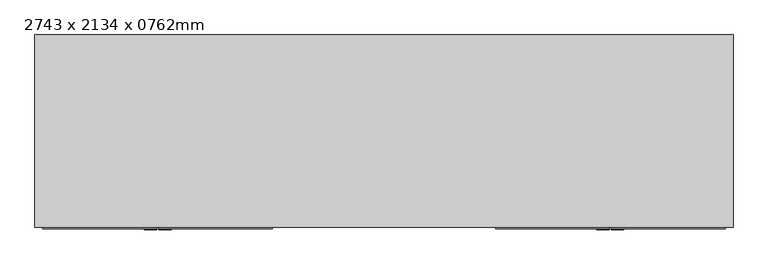
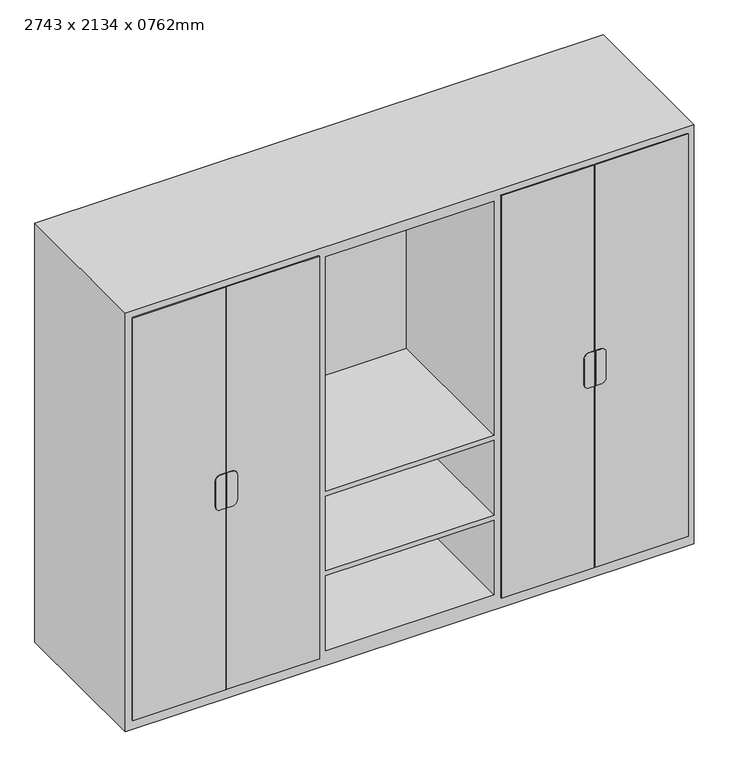
"""IFC4 building model written with IfcOpenShell, lengths in millimetres: furniture geometry, 2743 x 2134 x 0762mm."""

import ifcopenshell
import ifcopenshell.guid

model = None  # the IFC model being written
_history = None  # IfcOwnerHistory: only IFC2X3 demands one
_inside = {}  # id of a spatial element -> (the spatial element, [elements in it])
_under = {}  # id of a project, library or spatial element -> (it, [spatial elements below it])
_declared = {}  # id of a project -> (the project, [libraries it declares])
_typed = {}  # id of a type object -> (the type object, [elements of that type])
_made_of = {}  # id of a material, layer set ... -> (it, [elements and type objects made of it])


def new_model(schema):
    """Start an empty IFC model of exactly this schema.

    Asked for "IFC4X3", IfcOpenShell would pick the latest addendum, in which some entities
    have other attributes; the version numbers below select the first issue.
    IFC2X3 requires an IfcOwnerHistory on every rooted entity: one is made here for all.
    """
    global model, _history
    if schema == "IFC4X3":
        model = ifcopenshell.file(schema_version=(4, 3, 0, 0))
    else:
        model = ifcopenshell.file(schema=schema)
    _inside.clear()
    _under.clear()
    _declared.clear()
    _typed.clear()
    _made_of.clear()
    _history = None
    if model.schema == "IFC2X3":
        org = make("IfcOrganization", Name="unknown")
        user = make(
            "IfcPersonAndOrganization",
            ThePerson=make("IfcPerson", FamilyName="unknown"),
            TheOrganization=org,
        )
        app = make(
            "IfcApplication",
            ApplicationDeveloper=org,
            Version="unknown",
            ApplicationFullName="unknown",
            ApplicationIdentifier="unknown",
        )
        _history = make(
            "IfcOwnerHistory",
            OwningUser=user,
            OwningApplication=app,
            ChangeAction="ADDED",
            CreationDate=0,
        )
    return model


def make(cls, **values):
    """One entity of the class cls with the attributes given. An attribute that is None is left unset."""
    return model.create_entity(
        cls, **{name: value for name, value in values.items() if value is not None}
    )


def rooted(cls, **values):
    """An entity with a GlobalId (a new one), such as an element, a storey or a relation."""
    return make(cls, GlobalId=ifcopenshell.guid.new(), OwnerHistory=_history, **values)


def si_unit(unit_type, name, prefix=None):
    """IfcSIUnit, for example si_unit("LENGTHUNIT", "METRE", prefix="MILLI")."""
    return make("IfcSIUnit", UnitType=unit_type, Prefix=prefix, Name=name)


def assignment(units):
    """IfcUnitAssignment: the units of a project."""
    return None if units is None else make("IfcUnitAssignment", Units=units)


def point(xyz):
    """IfcCartesianPoint."""
    return None if xyz is None else make("IfcCartesianPoint", Coordinates=xyz)


def direction(xyz):
    """IfcDirection."""
    return None if xyz is None else make("IfcDirection", DirectionRatios=xyz)


def frame(location, z_axis=None, x_axis=None):
    """IfcAxis2Placement3D, a coordinate frame: its origin and axes. An axis left out is left unset."""
    return make(
        "IfcAxis2Placement3D",
        Location=point(location),
        Axis=direction(z_axis),
        RefDirection=direction(x_axis),
    )


def frame_2d(location, x_axis=None):
    """IfcAxis2Placement2D, a coordinate frame in the plane: its origin and x axis."""
    return make(
        "IfcAxis2Placement2D", Location=point(location), RefDirection=direction(x_axis)
    )


def origin():
    """The frame at (0, 0, 0) with its axes left unset."""
    return frame((0.0, 0.0, 0.0))


def place(relative_to, where):
    """IfcLocalPlacement: puts the frame where relative to a parent placement (None: the world)."""
    return make(
        "IfcLocalPlacement", PlacementRelTo=relative_to, RelativePlacement=where
    )


def context(
    kind, dimensions, precision=None, world=None, true_north=None, identifier=None
):
    """IfcGeometricRepresentationContext, for example the 3D "Model" context."""
    return make(
        "IfcGeometricRepresentationContext",
        ContextIdentifier=identifier,
        ContextType=kind,
        CoordinateSpaceDimension=dimensions,
        Precision=precision,
        WorldCoordinateSystem=world,
        TrueNorth=true_north,
    )


def project(units=None, contexts=None):
    """IfcProject with its units and contexts."""
    return rooted(
        "IfcProject",
        Name="project",
        RepresentationContexts=contexts,
        UnitsInContext=assignment(units),
    )


def spatial(cls, under=None, at=None, **own):
    """A site, building, storey or space (cls), placed at a placement, below another one or the project."""
    s = rooted(cls, ObjectPlacement=at, **own)
    if under is not None:
        _under.setdefault(under.id(), (under, []))[1].append(s)
    return s


def polyline(points):
    """IfcPolyline through the points."""
    return make("IfcPolyline", Points=[point(p) for p in points])


def circle_curve(where, radius):
    """IfcCircle in the frame where."""
    return make("IfcCircle", Position=where, Radius=radius)


def trimmed(basis, trim1, trim2, sense, master):
    """IfcTrimmedCurve: the piece of a basis curve between two trims."""
    return make(
        "IfcTrimmedCurve",
        BasisCurve=basis,
        Trim1=trim1,
        Trim2=trim2,
        SenseAgreement=sense,
        MasterRepresentation=master,
    )


def segment(curve, same_sense, transition):
    """IfcCompositeCurveSegment."""
    return make(
        "IfcCompositeCurveSegment",
        Transition=transition,
        SameSense=same_sense,
        ParentCurve=curve,
    )


def composite_curve(segments, self_intersect=None):
    """IfcCompositeCurve: segments joined end to end."""
    return make("IfcCompositeCurve", Segments=segments, SelfIntersect=self_intersect)


def outline(outer, holes=None, kind="AREA"):
    """IfcArbitraryClosedProfileDef: a profile drawn as a closed curve; with holes, ...WithVoids."""
    if holes is None:
        return make("IfcArbitraryClosedProfileDef", ProfileType=kind, OuterCurve=outer)
    return make(
        "IfcArbitraryProfileDefWithVoids",
        ProfileType=kind,
        OuterCurve=outer,
        InnerCurves=holes,
    )


def extrude(swept, where, along, depth):
    """IfcExtrudedAreaSolid: the profile swept, set in the frame where, extruded along a direction by depth."""
    return make(
        "IfcExtrudedAreaSolid",
        SweptArea=swept,
        Position=where,
        ExtrudedDirection=direction(along),
        Depth=depth,
    )


def faces_of(points, faces, orient=None, outer=None):
    """IfcFace entities. A face is a list of loops; a loop is a list of indices into points, from 0.

    orient and outer hold one flag for each loop. By default every Orientation is true, the
    first loop of a face is its IfcFaceOuterBound and the others are IfcFaceBound.
    """
    made = []
    for i, loops in enumerate(faces):
        bounds = []
        for j, loop in enumerate(loops):
            is_outer = j == 0 if outer is None else outer[i][j]
            bounds.append(
                make(
                    "IfcFaceOuterBound" if is_outer else "IfcFaceBound",
                    Bound=make("IfcPolyLoop", Polygon=[points[k] for k in loop]),
                    Orientation=True if orient is None else orient[i][j],
                )
            )
        made.append(make("IfcFace", Bounds=bounds))
    return made


def faceted_brep(points, faces, orient=None, outer=None, voids=None):
    """IfcFacetedBrep: a solid bounded by flat faces; with voids (closed shells), ...WithVoids."""
    shared = [point(p) for p in points]
    hull = make("IfcClosedShell", CfsFaces=faces_of(shared, faces, orient, outer))
    if voids is None:
        return make("IfcFacetedBrep", Outer=hull)
    return make(
        "IfcFacetedBrepWithVoids",
        Outer=hull,
        Voids=[
            make(cls, CfsFaces=faces_of(shared, fs, o, b)) for cls, fs, o, b in voids
        ],
    )


def shape(context_of_items, identifier, shape_type, items):
    """IfcShapeRepresentation: the items that make up one representation, for example the "Body"."""
    return make(
        "IfcShapeRepresentation",
        ContextOfItems=context_of_items,
        RepresentationIdentifier=identifier,
        RepresentationType=shape_type,
        Items=items,
    )


def source(mapping_origin, context_of_items, identifier, shape_type, items):
    """IfcRepresentationMap: a shape defined once, which mapped items show again and again."""
    return make(
        "IfcRepresentationMap",
        MappingOrigin=mapping_origin,
        MappedRepresentation=shape(context_of_items, identifier, shape_type, items),
    )


def transform(
    local_origin,
    x_axis=None,
    y_axis=None,
    z_axis=None,
    scale=None,
    scale2=None,
    scale3=None,
    uniform=True,
):
    """IfcCartesianTransformationOperator3D, or its non-uniform kind. x_axis, y_axis, z_axis: its Axis1, 2, 3."""
    if uniform:
        return make(
            "IfcCartesianTransformationOperator3D",
            Axis1=direction(x_axis),
            Axis2=direction(y_axis),
            LocalOrigin=point(local_origin),
            Scale=scale,
            Axis3=direction(z_axis),
        )
    return make(
        "IfcCartesianTransformationOperator3DnonUniform",
        Axis1=direction(x_axis),
        Axis2=direction(y_axis),
        LocalOrigin=point(local_origin),
        Scale=scale,
        Axis3=direction(z_axis),
        Scale2=scale2,
        Scale3=scale3,
    )


def mapped(mapping_source, mapping_target):
    """IfcMappedItem: shows the shape of a source again, moved by a transform."""
    return make(
        "IfcMappedItem", MappingSource=mapping_source, MappingTarget=mapping_target
    )


def made_of(thing, what):
    """Note that an element or type object is made of a material, layer set ...; save() writes the relation."""
    if what is not None:
        _made_of.setdefault(what.id(), (what, []))[1].append(thing)
    return thing


def element(
    cls,
    number,
    at=None,
    inside=None,
    cuts=None,
    type_object=None,
    material=None,
    context=None,
    identifier="Body",
    shape_type=None,
    held_by="IfcProductDefinitionShape",
    body=None,
    shapes=None,
    **own,
):
    """One element of the class cls, such as IfcWall. Its Tag is "e" and its number.

    at: its placement. inside: the storey or other place that contains it. cuts: it is an
    opening in that element (IfcRelVoidsElement). A single representation is given by context,
    identifier, shape_type and body (its items); several are given by shapes. held_by: the class
    of the entity that holds the representations. save() writes the other relations.
    """
    e = rooted(cls, Tag="e%d" % number, ObjectPlacement=at, **own)
    if body is not None:
        shapes = [shape(context, identifier, shape_type, body)]
    if shapes is not None:
        e.Representation = make(held_by, Representations=shapes)
    if inside is not None:
        _inside.setdefault(inside.id(), (inside, []))[1].append(e)
    if cuts is not None:
        rooted(
            "IfcRelVoidsElement", RelatingBuildingElement=cuts, RelatedOpeningElement=e
        )
    if type_object is not None:
        _typed.setdefault(type_object.id(), (type_object, []))[1].append(e)
    return made_of(e, material)


def aggregate(whole, parts):
    """IfcRelAggregates: a whole, such as a stair, and the parts it consists of."""
    return rooted("IfcRelAggregates", RelatingObject=whole, RelatedObjects=parts)


def save(model, path):
    """Write the relations noted so far, then the file.

    IfcRelAggregates (storeys below a building ...), IfcRelContainedInSpatialStructure (elements
    in a storey), IfcRelDefinesByType, IfcRelAssociatesMaterial and IfcRelDeclares: one each for
    every whole, place, type object, material and project.
    """
    for whole, parts in _under.values():
        aggregate(whole, parts)
    for where, things in _inside.values():
        rooted(
            "IfcRelContainedInSpatialStructure",
            RelatedElements=things,
            RelatingStructure=where,
        )
    for kind, things in _typed.values():
        rooted("IfcRelDefinesByType", RelatedObjects=things, RelatingType=kind)
    for what, things in _made_of.values():
        rooted("IfcRelAssociatesMaterial", RelatedObjects=things, RelatingMaterial=what)
    for by, libraries in _declared.values():
        rooted("IfcRelDeclares", RelatingContext=by, RelatedDefinitions=libraries)
    model.write(path)


def furniture_2743_x_2134_x_0762mm_bec01534(model_context):
    return source(origin(), model_context, "Body", "SolidModel", [
        faceted_brep([(1371.5, -781.05, 0.0), (1371.5, -781.05, 2134.0), (-1371.5, -781.05, 2134.0), (-1371.5, -781.05, 0.0), (-457.3, -781.05, 2083.2), (-457.3, -781.05, 1613.2), (-1320.7, -781.05, 1613.2), (-1320.7, -781.05, 2083.2), (-457.3, -781.05, 76.2), (-1320.7, -781.05, 76.2), (-1320.7, -781.05, 520.8), (-457.3, -781.05, 520.8), (1320.7, -781.05, 1613.2), (457.3, -781.05, 1613.2), (457.3, -781.05, 2083.2), (1320.7, -781.05, 2083.2), (-406.5, -781.05, 889.2), (-406.5, -781.05, 2083.2), (406.5, -781.05, 2083.2), (406.5, -781.05, 889.2), (406.5, -781.05, 76.2), (-406.5, -781.05, 76.2), (-406.5, -781.05, 457.3), (406.5, -781.05, 457.3), (1320.7, -781.05, 76.2), (457.3, -781.05, 76.2), (457.3, -781.05, 520.8), (1320.7, -781.05, 520.8), (-1320.7, -781.05, 546.2), (-1320.7, -781.05, 1054.3), (-457.3, -781.05, 1054.3), (-457.3, -781.05, 546.2), (-457.3, -781.05, 1587.8), (-457.3, -781.05, 1079.7), (-1320.7, -781.05, 1079.7), (-1320.7, -781.05, 1587.8), (457.3, -781.05, 1587.8), (1320.7, -781.05, 1587.8), (1320.7, -781.05, 1079.7), (457.3, -781.05, 1079.7), (457.3, -781.05, 1054.3), (1320.7, -781.05, 1054.3), (1320.7, -781.05, 546.2), (457.3, -781.05, 546.2), (406.5, -781.05, 482.7), (-406.5, -781.05, 482.7), (-406.5, -781.05, 863.8), (406.5, -781.05, 863.8), (1371.5, -25.4, 0.0), (-1371.5, -25.4, 0.0), (-1371.5, -25.4, 2134.0), (1371.5, -25.4, 2134.0), (-457.3, -50.8, 2083.2), (-457.3, -50.8, 1613.2), (-1320.7, -50.8, 1613.2), (-1320.7, -50.8, 2083.2), (-457.3, -50.8, 76.2), (-1320.7, -50.8, 76.2), (-1320.7, -50.8, 520.8), (-457.3, -50.8, 520.8), (1320.7, -50.8, 1613.2), (457.3, -50.8, 1613.2), (457.3, -50.8, 2083.2), (1320.7, -50.8, 2083.2), (-406.5, -50.8, 889.2), (-406.5, -50.8, 2083.2), (406.5, -50.8, 2083.2), (406.5, -50.8, 889.2), (406.5, -50.8, 76.2), (-406.5, -50.8, 76.2), (-406.5, -50.8, 457.3), (406.5, -50.8, 457.3), (1320.7, -50.8, 76.2), (457.3, -50.8, 76.2), (457.3, -50.8, 520.8), (1320.7, -50.8, 520.8), (-1320.7, -50.8, 546.2), (-1320.7, -50.8, 1054.3), (-457.3, -50.8, 1054.3), (-457.3, -50.8, 546.2), (-457.3, -50.8, 1587.8), (-457.3, -50.8, 1079.7), (-1320.7, -50.8, 1079.7), (-1320.7, -50.8, 1587.8), (457.3, -50.8, 1587.8), (1320.7, -50.8, 1587.8), (1320.7, -50.8, 1079.7), (457.3, -50.8, 1079.7), (457.3, -50.8, 1054.3), (1320.7, -50.8, 1054.3), (1320.7, -50.8, 546.2), (457.3, -50.8, 546.2), (406.5, -50.8, 482.7), (-406.5, -50.8, 482.7), (-406.5, -50.8, 863.8), (406.5, -50.8, 863.8)], [[[0, 1, 2, 3], [4, 5, 6, 7], [8, 9, 10, 11], [12, 13, 14, 15], [16, 17, 18, 19], [20, 21, 22, 23], [24, 25, 26, 27], [28, 29, 30, 31], [32, 33, 34, 35], [36, 37, 38, 39], [40, 41, 42, 43], [44, 45, 46, 47]], [[48, 49, 50, 51]], [[1, 0, 48, 51]], [[2, 1, 51, 50]], [[3, 2, 50, 49]], [[0, 3, 49, 48]], [[5, 4, 52, 53]], [[6, 5, 53, 54]], [[7, 6, 54, 55]], [[4, 7, 55, 52]], [[9, 8, 56, 57]], [[10, 9, 57, 58]], [[11, 10, 58, 59]], [[8, 11, 59, 56]], [[13, 12, 60, 61]], [[14, 13, 61, 62]], [[15, 14, 62, 63]], [[12, 15, 63, 60]], [[17, 16, 64, 65]], [[18, 17, 65, 66]], [[19, 18, 66, 67]], [[16, 19, 67, 64]], [[21, 20, 68, 69]], [[22, 21, 69, 70]], [[23, 22, 70, 71]], [[20, 23, 71, 68]], [[25, 24, 72, 73]], [[26, 25, 73, 74]], [[27, 26, 74, 75]], [[24, 27, 75, 72]], [[29, 28, 76, 77]], [[30, 29, 77, 78]], [[31, 30, 78, 79]], [[28, 31, 79, 76]], [[33, 32, 80, 81]], [[34, 33, 81, 82]], [[35, 34, 82, 83]], [[32, 35, 83, 80]], [[37, 36, 84, 85]], [[38, 37, 85, 86]], [[39, 38, 86, 87]], [[36, 39, 87, 84]], [[41, 40, 88, 89]], [[42, 41, 89, 90]], [[43, 42, 90, 91]], [[40, 43, 91, 88]], [[45, 44, 92, 93]], [[46, 45, 93, 94]], [[47, 46, 94, 95]], [[44, 47, 95, 92]], [[53, 52, 55, 54]], [[57, 56, 59, 58]], [[61, 60, 63, 62]], [[65, 64, 67, 66]], [[69, 68, 71, 70]], [[73, 72, 75, 74]], [[77, 76, 79, 78]], [[81, 80, 83, 82]], [[85, 84, 87, 86]], [[89, 88, 91, 90]], [[93, 92, 95, 94]]]),
        extrude(outline(composite_curve([segment(polyline([(1155.9, -861.5986452), (1155.9, -885.825), (978.1, -885.825), (978.1, -861.5986452)]), True, "CONTINUOUS"), segment(trimmed(circle_curve(frame_2d((1003.5, -861.5986452)), 25.4), [point((978.1, -861.5986452))], [point((1003.5, -836.1986452))], False, "CARTESIAN"), True, "CONTINUOUS"), segment(polyline([(1003.5, -836.1986452), (1130.5, -836.1986452)]), True, "CONTINUOUS"), segment(trimmed(circle_curve(frame_2d((1130.5, -861.5986452)), 25.4), [point((1130.5, -836.1986452))], [point((1155.9, -861.5986452))], False, "CARTESIAN"), True, "CONTINUOUS")], self_intersect=False)), frame((0.0, -790.575, 0.0), z_axis=(0.0, 1.0, 0.0), x_axis=(0.0, 0.0, 1.0)), (0.0, 0.0, 1.0), 3.175),
        extrude(outline(composite_curve([segment(trimmed(circle_curve(frame_2d((1130.5, -916.78125)), 25.4), [point((1155.9, -916.78125))], [point((1130.5, -942.18125))], False, "CARTESIAN"), True, "CONTINUOUS"), segment(polyline([(1130.5, -942.18125), (1003.5, -942.18125)]), True, "CONTINUOUS"), segment(trimmed(circle_curve(frame_2d((1003.5, -916.78125)), 25.4), [point((1003.5, -942.18125))], [point((978.1, -916.78125))], False, "CARTESIAN"), True, "CONTINUOUS"), segment(polyline([(978.1, -916.78125), (978.1, -892.175), (1155.9, -892.175), (1155.9, -916.78125)]), True, "CONTINUOUS")], self_intersect=False)), frame((0.0, -790.575, 0.0), z_axis=(0.0, 1.0, 0.0), x_axis=(0.0, 0.0, 1.0)), (0.0, 0.0, 1.0), 3.175),
        extrude(outline(composite_curve([segment(trimmed(circle_curve(frame_2d((1130.5, 861.5986452)), 25.4), [point((1155.9, 861.5986452))], [point((1130.5, 836.1986452))], False, "CARTESIAN"), True, "CONTINUOUS"), segment(polyline([(1130.5, 836.1986452), (1003.5, 836.1986452)]), True, "CONTINUOUS"), segment(trimmed(circle_curve(frame_2d((1003.5, 861.5986452)), 25.4), [point((1003.5, 836.1986452))], [point((978.1, 861.5986452))], False, "CARTESIAN"), True, "CONTINUOUS"), segment(polyline([(978.1, 861.5986452), (978.1, 885.825), (1155.9, 885.825), (1155.9, 861.5986452)]), True, "CONTINUOUS")], self_intersect=False)), frame((0.0, -790.575, 0.0), z_axis=(0.0, 1.0, 0.0), x_axis=(0.0, 0.0, 1.0)), (0.0, 0.0, 1.0), 3.175),
        extrude(outline(composite_curve([segment(polyline([(1155.9, 916.78125), (1155.9, 892.175), (978.1, 892.175), (978.1, 916.78125)]), True, "CONTINUOUS"), segment(trimmed(circle_curve(frame_2d((1003.5, 916.78125)), 25.4), [point((978.1, 916.78125))], [point((1003.5, 942.18125))], False, "CARTESIAN"), True, "CONTINUOUS"), segment(polyline([(1003.5, 942.18125), (1130.5, 942.18125)]), True, "CONTINUOUS"), segment(trimmed(circle_curve(frame_2d((1130.5, 916.78125)), 25.4), [point((1130.5, 942.18125))], [point((1155.9, 916.78125))], False, "CARTESIAN"), True, "CONTINUOUS")], self_intersect=False)), frame((0.0, -790.575, 0.0), z_axis=(0.0, 1.0, 0.0), x_axis=(0.0, 0.0, 1.0)), (0.0, 0.0, 1.0), 3.175),
        extrude(outline(polyline([(-1339.75, -781.05), (-892.175, -781.05), (-892.175, -787.4), (-1339.75, -787.4), (-1339.75, -781.05)])), frame((0.0, 0.0, 50.8), z_axis=(0.0, 0.0, 1.0), x_axis=(1.0, 0.0, 0.0)), (0.0, 0.0, 1.0), 2051.45),
        extrude(outline(polyline([(-885.825, -781.05), (-438.25, -781.05), (-438.25, -787.4), (-885.825, -787.4), (-885.825, -781.05)])), frame((0.0, 0.0, 50.8), z_axis=(0.0, 0.0, 1.0), x_axis=(1.0, 0.0, 0.0)), (0.0, 0.0, 1.0), 2051.45),
        extrude(outline(polyline([(892.175, -781.05), (1339.75, -781.05), (1339.75, -787.4), (892.175, -787.4), (892.175, -781.05)])), frame((0.0, 0.0, 50.8), z_axis=(0.0, 0.0, 1.0), x_axis=(1.0, 0.0, 0.0)), (0.0, 0.0, 1.0), 2051.45),
        extrude(outline(polyline([(438.25, -781.05), (885.825, -781.05), (885.825, -787.4), (438.25, -787.4), (438.25, -781.05)])), frame((0.0, 0.0, 50.8), z_axis=(0.0, 0.0, 1.0), x_axis=(1.0, 0.0, 0.0)), (0.0, 0.0, 1.0), 2051.45),
    ])


if __name__ == "__main__":
    model = new_model("IFC4")
    model_context = context("Model", 3, world=origin())
    ifc_project = project(units=[si_unit("LENGTHUNIT", "METRE", prefix="MILLI")], contexts=[model_context])
    site = spatial("IfcSite", under=ifc_project)
    building = spatial("IfcBuilding", under=site)
    placement = place(None, origin())
    furniture_2743_x_2134_x_0762mm_shape = furniture_2743_x_2134_x_0762mm_bec01534(model_context)
    element("IfcFurniture", 1, ObjectType="2743 x 2134 x 0762mm", at=placement, inside=building, context=model_context, shape_type="MappedRepresentation", body=[
        mapped(furniture_2743_x_2134_x_0762mm_shape, transform((0.0, 0.0, 0.0), x_axis=(1.0, 0.0, 0.0), y_axis=(0.0, 1.0, 0.0), z_axis=(0.0, 0.0, 1.0))),
    ])
    save(model, "model.ifc")
